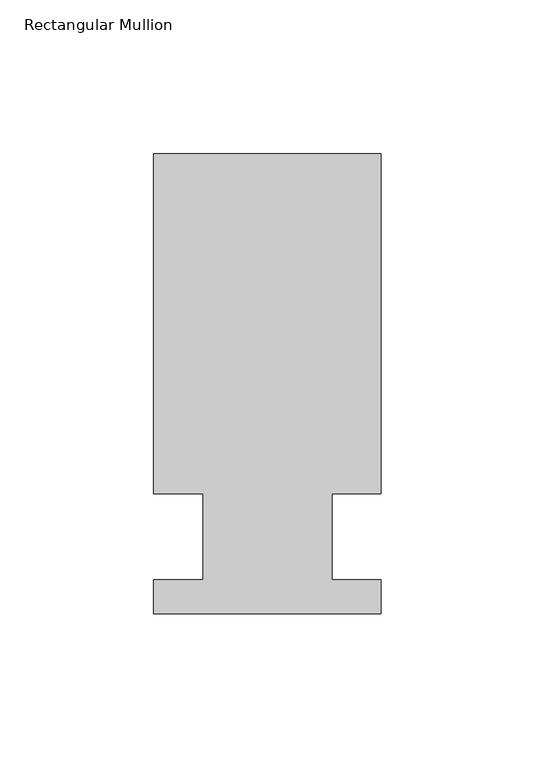
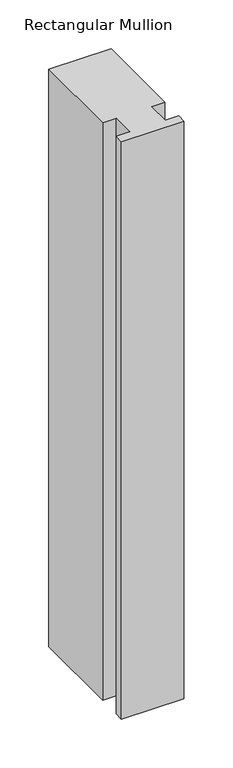
"""IFC4 building model written with IfcOpenShell, lengths in millimetres: member geometry, Rectangular Mullion."""

from ifc_helpers import new_model, si_unit, frame, origin, place, context, project, spatial, polyline, outline, extrude, source, transform, mapped, element, save


def rectangular_mullion_811871da(model_context):
    return source(origin(), model_context, "Body", "SweptSolid", [
        extrude(outline(polyline([(-20.9800745, 13.9998907), (-37.0, 13.9998907), (-37.0, 124.5), (37.0, 124.5), (37.0, 13.9998907), (20.9800745, 13.9998907), (20.9800745, -14.0), (36.9800745, -14.0), (36.9800745, -25.0), (-37.0, -25.0), (-37.0, -14.0), (-20.9800745, -14.0), (-20.9800745, 13.9998907)])), frame((0.0, 0.0, -724.000019), z_axis=(0.0, 0.0, 1.0), x_axis=(1.0, 0.0, 0.0)), (0.0, 0.0, 1.0), 724.000019),
    ])


if __name__ == "__main__":
    model = new_model("IFC4")
    model_context = context("Model", 3, world=origin())
    ifc_project = project(units=[si_unit("LENGTHUNIT", "METRE", prefix="MILLI")], contexts=[model_context])
    site = spatial("IfcSite", under=ifc_project)
    building = spatial("IfcBuilding", under=site)
    placement = place(None, origin())
    rectangular_mullion_shape = rectangular_mullion_811871da(model_context)
    element("IfcMember", 1, ObjectType="Rectangular Mullion", at=placement, inside=building, context=model_context, shape_type="MappedRepresentation", body=[
        mapped(rectangular_mullion_shape, transform((0.0, 0.0, 0.0), x_axis=(1.0, 0.0, 0.0), y_axis=(0.0, 1.0, 0.0), z_axis=(0.0, 0.0, 1.0))),
    ])
    save(model, "model.ifc")
